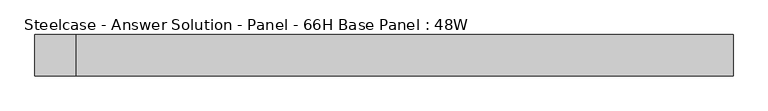
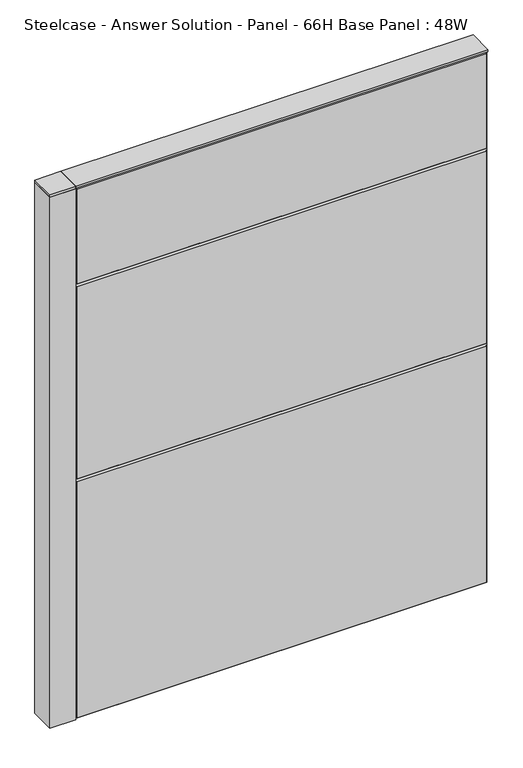
"""IFC4 building model written with IfcOpenShell, lengths in millimetres: furniture geometry, Steelcase - Answer Solution - Panel - 66H Base Panel : 48W."""

from ifc_helpers import new_model, si_unit, point, frame, frame_2d, origin, place, context, project, spatial, polyline, circle_curve, trimmed, segment, composite_curve, outline, extrude, faceted_brep, source, transform, mapped, element, save


def steelcase_answer_solution_panel_66h_base_panel_48w_22e8c7fa(model_context):
    return source(origin(), model_context, "Body", "SolidModel", [
        extrude(outline(composite_curve([segment(trimmed(circle_curve(frame_2d((-647.7, -0.0320214)), 5.08), [point((-652.78, -0.0320214))], [point((-642.62, -0.0320214))], False, "CARTESIAN"), True, "CONTINUOUS"), segment(trimmed(circle_curve(frame_2d((-647.7, -0.0320214)), 5.08), [point((-642.62, -0.0320214))], [point((-652.78, -0.0320214))], False, "CARTESIAN"), True, "CONTINUOUS")], self_intersect=False)), frame((0.0, 0.0, 5.0799671), z_axis=(0.0, 0.0, 1.0), x_axis=(1.0, 0.0, 0.0)), (0.0, 0.0, 1.0), 10.414),
        extrude(outline(composite_curve([segment(trimmed(circle_curve(frame_2d((-647.7, -0.0320214)), 15.24), [point((-662.94, -0.0320214))], [point((-632.46, -0.0320214))], False, "CARTESIAN"), True, "CONTINUOUS"), segment(trimmed(circle_curve(frame_2d((-647.7, -0.0320214)), 15.24), [point((-632.46, -0.0320214))], [point((-662.94, -0.0320214))], False, "CARTESIAN"), True, "CONTINUOUS")], self_intersect=False)), frame((0.0, 0.0, -3.29e-05), z_axis=(0.0, 0.0, 1.0), x_axis=(1.0, 0.0, 0.0)), (0.0, 0.0, 1.0), 5.08),
        extrude(outline(polyline([(-685.8, -38.1320408), (-685.8, 38.0679592), (-609.6, 38.0679592), (-609.6, -38.1320408), (-685.8, -38.1320408)])), frame((0.0, 0.0, 1675.4348), z_axis=(0.0, 0.0, 1.0), x_axis=(1.0, 0.0, 0.0)), (0.0, 0.0, 1.0), 7.3151671),
        extrude(outline(polyline([(-685.8, -38.1320408), (-685.8, 38.0679592), (-609.6, 38.0679592), (-609.6, -38.1320408), (-685.8, -38.1320408)])), frame((0.0, 0.0, 15.4939671), z_axis=(0.0, 0.0, 1.0), x_axis=(1.0, 0.0, 0.0)), (0.0, 0.0, 1.0), 1659.89),
        faceted_brep([(-604.774, -38.1635011, 1671.574), (-604.774, -38.1635011, 1376.426), (604.774, -38.1635011, 1376.426), (604.774, -38.1635011, 1671.574), (-609.6, -33.3375011, 1676.4), (609.6, -33.3375011, 1676.4), (609.6, -33.3375011, 1371.6), (-609.6, -33.3375011, 1371.6)], [[[0, 1, 2, 3]], [[4, 5, 6, 7]], [[4, 0, 3, 5]], [[5, 3, 2, 6]], [[6, 2, 1, 7]], [[7, 1, 0, 4]]]),
        faceted_brep([(-604.774, -38.1635011, 1366.774), (-604.774, -38.1635011, 766.826), (604.774, -38.1635011, 766.826), (604.774, -38.1635011, 1366.774), (-609.6, -33.3375011, 1371.6), (609.6, -33.3375011, 1371.6), (609.6, -33.3375011, 762.0), (-609.6, -33.3375011, 762.0)], [[[0, 1, 2, 3]], [[4, 5, 6, 7]], [[4, 0, 3, 5]], [[5, 3, 2, 6]], [[6, 2, 1, 7]], [[7, 1, 0, 4]]]),
        faceted_brep([(-604.774, -38.1635011, 757.174), (-604.774, -38.1635011, 20.32), (604.774, -38.1635011, 20.32), (604.774, -38.1635011, 757.174), (-609.6, -33.3375011, 762.0), (609.6, -33.3375011, 762.0), (609.6, -33.3375011, 15.494), (-609.6, -33.3375011, 15.494)], [[[0, 1, 2, 3]], [[4, 5, 6, 7]], [[4, 0, 3, 5]], [[5, 3, 2, 6]], [[6, 2, 1, 7]], [[7, 1, 0, 4]]]),
        faceted_brep([(604.774, 38.1635011, 1671.574), (604.774, 38.1635011, 1071.626), (-604.774, 38.1635011, 1071.626), (-604.774, 38.1635011, 1671.574), (609.6, 33.3375011, 1676.4), (-609.6, 33.3375011, 1676.4), (-609.6, 33.3375011, 1066.8), (609.6, 33.3375011, 1066.8)], [[[0, 1, 2, 3]], [[4, 5, 6, 7]], [[4, 0, 3, 5]], [[5, 3, 2, 6]], [[6, 2, 1, 7]], [[7, 1, 0, 4]]]),
        faceted_brep([(604.774, 38.1635011, 1061.974), (604.774, 38.1635011, 20.32), (-604.774, 38.1635011, 20.32), (-604.774, 38.1635011, 1061.974), (609.6, 33.3375011, 1066.8), (-609.6, 33.3375011, 1066.8), (-609.6, 33.3375011, 15.494), (609.6, 33.3375011, 15.494)], [[[0, 1, 2, 3]], [[4, 5, 6, 7]], [[4, 0, 3, 5]], [[5, 3, 2, 6]], [[6, 2, 1, 7]], [[7, 1, 0, 4]]]),
        extrude(outline(polyline([(609.6, -38.1000194), (-609.6, -38.1000194), (-609.6, 38.1000194), (609.6, 38.1000194), (609.6, -38.1000194)])), frame((0.0, 0.0, 1676.4), z_axis=(0.0, 0.0, 1.0), x_axis=(1.0, 0.0, 0.0)), (0.0, 0.0, 1.0), 6.35),
    ])


if __name__ == "__main__":
    model = new_model("IFC4")
    model_context = context("Model", 3, world=origin())
    ifc_project = project(units=[si_unit("LENGTHUNIT", "METRE", prefix="MILLI")], contexts=[model_context])
    site = spatial("IfcSite", under=ifc_project)
    building = spatial("IfcBuilding", under=site)
    placement = place(None, origin())
    steelcase_answer_solution_panel_66h_base_panel_48w_shape = steelcase_answer_solution_panel_66h_base_panel_48w_22e8c7fa(model_context)
    element("IfcFurniture", 1, ObjectType="Steelcase - Answer Solution - Panel - 66H Base Panel : 48W", at=placement, inside=building, context=model_context, shape_type="MappedRepresentation", body=[
        mapped(steelcase_answer_solution_panel_66h_base_panel_48w_shape, transform((0.0, 0.0, 0.0), x_axis=(1.0, 0.0, 0.0), y_axis=(0.0, 1.0, 0.0), z_axis=(0.0, 0.0, 1.0))),
    ])
    save(model, "model.ifc")
